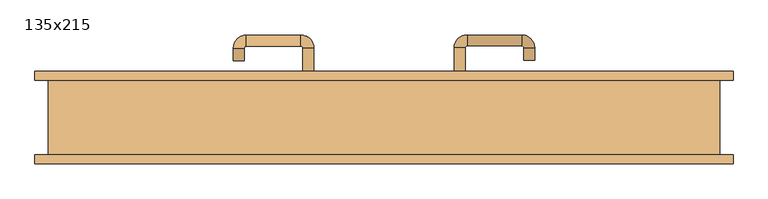
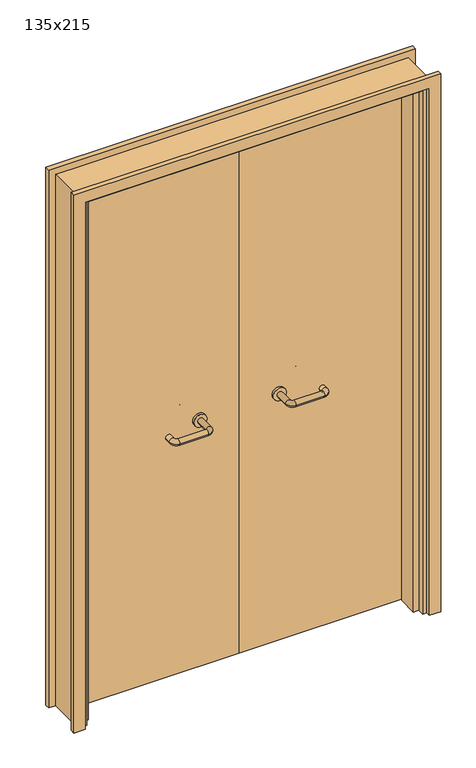
"""IFC4 building model written with IfcOpenShell, lengths in millimetres: door geometry, 135x215."""

from ifc_helpers import new_model, si_unit, point, frame, frame_2d, origin, place, context, project, spatial, polyline, circle_curve, ellipse_curve, trimmed, segment, composite_curve, outline, extrude, faceted_brep, source, transform, mapped, element, save
from ifc_brep_helpers import plane_surface, cylinder_surface, revolved_surface, advanced_brep


def door_135x215_9a9bedaf(model_context):
    return source(origin(), model_context, "Body", "SolidModel", [
        faceted_brep([(-622.0, 28.0, 0.0), (-622.0, -50.0, 0.0), (-643.0, -50.0, 0.0), (-643.0, 28.0, 0.0), (-622.0, 28.0, 2097.0), (-622.0, -50.0, 2097.0), (-643.0, -50.0, 2118.0), (-643.0, 28.0, 2118.0), (622.0, 28.0, 0.0), (643.0, 28.0, 0.0), (643.0, -50.0, 0.0), (622.0, -50.0, 0.0), (622.0, 28.0, 2097.0), (643.0, 28.0, 2118.0), (643.0, -50.0, 2118.0), (622.0, -50.0, 2097.0)], [[[0, 1, 2, 3]], [[1, 0, 4, 5]], [[2, 1, 5, 6]], [[3, 2, 6, 7]], [[0, 3, 7, 4]], [[8, 9, 10, 11]], [[12, 13, 9, 8]], [[13, 14, 10, 9]], [[14, 15, 11, 10]], [[15, 12, 8, 11]], [[5, 4, 12, 15]], [[6, 5, 15, 14]], [[7, 6, 14, 13]], [[4, 7, 13, 12]]]),
        extrude(outline(polyline([(2177.0, 702.0), (2177.0, -702.0), (0.0, -702.0), (0.0, -658.0), (2133.0, -658.0), (2133.0, 658.0), (0.0, 658.0), (0.0, 702.0), (2177.0, 702.0)])), frame((0.0, 75.0, 0.0), z_axis=(0.0, 1.0, 0.0), x_axis=(0.0, 0.0, 1.0)), (0.0, 0.0, 1.0), 18.0),
        extrude(outline(polyline([(2177.0, -702.0), (0.0, -702.0), (0.0, -658.0), (2133.0, -658.0), (2133.0, 658.0), (0.0, 658.0), (0.0, 702.0), (2177.0, 702.0), (2177.0, -702.0)])), frame((0.0, -93.0, 0.0), z_axis=(0.0, 1.0, 0.0), x_axis=(0.0, 0.0, 1.0)), (0.0, 0.0, 1.0), 18.0),
        extrude(outline(polyline([(2150.0, -675.0), (0.0, -675.0), (0.0, -643.0), (2118.0, -643.0), (2118.0, 643.0), (0.0, 643.0), (0.0, 675.0), (2150.0, 675.0), (2150.0, -675.0)])), frame((0.0, -75.0, 0.0), z_axis=(0.0, 1.0, 0.0), x_axis=(0.0, 0.0, 1.0)), (0.0, 0.0, 1.0), 150.0),
        extrude(outline(polyline([(1.0739506, 31.0), (-640.0, 31.0), (-640.0, 75.0), (1.0739506, 75.0), (1.0739506, 31.0)])), frame((0.0, 0.0, 1.753223), z_axis=(0.0, 0.0, 1.0), x_axis=(1.0, 0.0, 0.0)), (0.0, 0.0, 1.0), 2107.246777),
        extrude(outline(polyline([(640.0, 31.0), (1.0739506, 31.0), (1.0739506, 75.0), (640.0, 75.0), (640.0, 31.0)])), frame((0.0, 0.0, 1.753223), z_axis=(0.0, 0.0, 1.0), x_axis=(1.0, 0.0, 0.0)), (0.0, 0.0, 1.0), 2116.246777),
        extrude(outline(polyline([(2150.0, -675.0), (0.0, -675.0), (0.0, -643.0), (2118.0, -643.0), (2118.0, 643.0), (0.0, 643.0), (0.0, 675.0), (2150.0, 675.0), (2150.0, -675.0)])), frame((0.0, -75.0, 0.0), z_axis=(0.0, 1.0, 0.0), x_axis=(0.0, 0.0, 1.0)), (0.0, 0.0, 1.0), 150.0),
        advanced_brep(
        [(140.99898, 21.0, 1003.0), (162.99898, 21.0, 1003.0), (140.99898, -34.3525369, 1003.0), (162.99898, -34.3525369, 1003.0), (166.99898, -38.3525369, 1003.0), (166.99898, -60.3525369, 1003.0), (276.99898, -60.3525369, 1003.0), (276.99898, -38.3525369, 1003.0), (280.99898, -34.3525369, 1003.0), (302.99898, -34.3525369, 1003.0), (302.99898, -17.0, 1003.0), (280.99898, -17.0, 1003.0)],
        [
            (0, 1, circle_curve(frame((151.99898, 21.0, 1003.0), z_axis=(0.0, 1.0, 0.0), x_axis=(1.0, 0.0, 0.0)), 11.0)),
            (1, 0, circle_curve(frame((151.99898, 21.0, 1003.0), z_axis=(0.0, 1.0, 0.0), x_axis=(1.0, 0.0, 0.0)), 11.0)),
            (0, 2),
            (2, 3, circle_curve(frame((151.99898, -34.3525369, 1003.0), z_axis=(0.0, 1.0, 0.0), x_axis=(1.0, 0.0, 0.0)), 11.0)),
            (3, 1),
            (3, 2, circle_curve(frame((151.99898, -34.3525369, 1003.0), z_axis=(0.0, 1.0, 0.0), x_axis=(1.0, 0.0, 0.0)), 11.0)),
            (4, 3, circle_curve(frame((166.99898, -34.3525369, 1003.0), z_axis=(0.0, 0.0, -1.0), x_axis=(-1.0, 0.0, 0.0)), 4.0)),
            (2, 5, circle_curve(frame((166.99898, -34.3525369, 1003.0), z_axis=(0.0, 0.0, 1.0), x_axis=(-1.0, 0.0, 0.0)), 26.0)),
            (5, 4, circle_curve(frame((166.99898, -49.3525369, 1003.0), z_axis=(-1.0, 0.0, 0.0), x_axis=(0.0, 1.0, 0.0)), 11.0)),
            (4, 5, circle_curve(frame((166.99898, -49.3525369, 1003.0), z_axis=(-1.0, 0.0, 0.0), x_axis=(0.0, 1.0, 0.0)), 11.0)),
            (5, 6),
            (6, 7, circle_curve(frame((276.99898, -49.3525369, 1003.0), z_axis=(-1.0, 0.0, 0.0), x_axis=(0.0, 1.0, 0.0)), 11.0)),
            (7, 4),
            (7, 6, circle_curve(frame((276.99898, -49.3525369, 1003.0), z_axis=(-1.0, 0.0, 0.0), x_axis=(0.0, 1.0, 0.0)), 11.0)),
            (8, 7, circle_curve(frame((276.99898, -34.3525369, 1003.0), z_axis=(0.0, 0.0, -1.0), x_axis=(0.0, -1.0, 0.0)), 4.0)),
            (6, 9, circle_curve(frame((276.99898, -34.3525369, 1003.0), z_axis=(0.0, 0.0, 1.0), x_axis=(0.0, -1.0, 0.0)), 26.0)),
            (9, 8, circle_curve(frame((291.99898, -34.3525369, 1003.0), z_axis=(0.0, -1.0, 0.0), x_axis=(-1.0, 0.0, 0.0)), 11.0)),
            (8, 9, circle_curve(frame((291.99898, -34.3525369, 1003.0), z_axis=(0.0, -1.0, 0.0), x_axis=(-1.0, 0.0, 0.0)), 11.0)),
            (10, 11, circle_curve(frame((291.99898, -17.0, 1003.0), z_axis=(0.0, 1.0, 0.0), x_axis=(-1.0, 0.0, 0.0)), 11.0)),
            (11, 10, circle_curve(frame((291.99898, -17.0, 1003.0), z_axis=(0.0, 1.0, 0.0), x_axis=(-1.0, 0.0, 0.0)), 11.0)),
            (9, 10),
            (11, 8),
        ],
        [
            plane_surface(frame((140.99898, 21.0, 1003.0), z_axis=(0.0, 1.0, 0.0), x_axis=(0.0, 0.0, -1.0))),
            cylinder_surface(frame((151.99898, 21.0, 1003.0), z_axis=(0.0, 1.0, 0.0), x_axis=(1.0, 0.0, 0.0)), 11.0),
            revolved_surface(trimmed(ellipse_curve(frame((151.99898, -34.3525369, 1003.0), z_axis=(0.0, 1.0, 0.0), x_axis=(1.0, 0.0, 0.0)), 11.0, 11.0), [point((140.99898, -34.3525369, 1003.0))], [point((162.99898, -34.3525369, 1003.0))], True, "CARTESIAN"), (166.99898, -34.3525369, 1003.0), (0.0, 0.0, 1.0)),
            revolved_surface(trimmed(ellipse_curve(frame((151.99898, -34.3525369, 1003.0), z_axis=(0.0, 1.0, 0.0), x_axis=(1.0, 0.0, 0.0)), 11.0, 11.0), [point((162.99898, -34.3525369, 1003.0))], [point((140.99898, -34.3525369, 1003.0))], True, "CARTESIAN"), (166.99898, -34.3525369, 1003.0), (0.0, 0.0, 1.0)),
            cylinder_surface(frame((166.99898, -49.3525369, 1003.0), z_axis=(-1.0, 0.0, 0.0), x_axis=(0.0, 1.0, 0.0)), 11.0),
            revolved_surface(trimmed(ellipse_curve(frame((276.99898, -49.3525369, 1003.0), z_axis=(-1.0, 0.0, 0.0), x_axis=(0.0, 1.0, 0.0)), 11.0, 11.0), [point((276.99898, -60.3525369, 1003.0))], [point((276.99898, -38.3525369, 1003.0))], True, "CARTESIAN"), (276.99898, -34.3525369, 1003.0), (0.0, 0.0, 1.0)),
            revolved_surface(trimmed(ellipse_curve(frame((276.99898, -49.3525369, 1003.0), z_axis=(-1.0, 0.0, 0.0), x_axis=(0.0, 1.0, 0.0)), 11.0, 11.0), [point((276.99898, -38.3525369, 1003.0))], [point((276.99898, -60.3525369, 1003.0))], True, "CARTESIAN"), (276.99898, -34.3525369, 1003.0), (0.0, 0.0, 1.0)),
            plane_surface(frame((280.99898, -17.0, 1003.0), z_axis=(0.0, 1.0, 0.0), x_axis=(0.0, 0.0, 1.0))),
            cylinder_surface(frame((291.99898, -34.3525369, 1003.0), z_axis=(0.0, -1.0, 0.0), x_axis=(-1.0, 0.0, 0.0)), 11.0),
        ],
        [
            (0, [[1, 2]]),
            (1, [[-1, 3, 4, 5]]),
            (1, [[-2, -5, 6, -3]]),
            (2, [[7, -4, 8, 9]]),
            (3, [[-8, -6, -7, 10]]),
            (4, [[-9, 11, 12, 13]]),
            (4, [[-10, -13, 14, -11]]),
            (5, [[15, -12, 16, 17]]),
            (6, [[-16, -14, -15, 18]]),
            (7, [[19, 20]]),
            (8, [[-17, 21, -20, 22]]),
            (8, [[-18, -22, -19, -21]]),
        ],
    ),
        extrude(outline(composite_curve([segment(trimmed(circle_curve(frame_2d((1003.0, 151.99898)), 25.0), [point((1003.0, 126.99898))], [point((1003.0, 176.99898))], False, "CARTESIAN"), True, "CONTINUOUS"), segment(trimmed(circle_curve(frame_2d((1003.0, 151.99898)), 25.0), [point((1003.0, 176.99898))], [point((1003.0, 126.99898))], False, "CARTESIAN"), True, "CONTINUOUS")], self_intersect=False)), frame((0.0, 21.0, 0.0), z_axis=(0.0, 1.0, 0.0), x_axis=(0.0, 0.0, 1.0)), (0.0, 0.0, 1.0), 10.0),
        advanced_brep(
        [(162.99898, 85.0, 1003.0), (140.99898, 85.0, 1003.0), (162.99898, 140.0, 1003.0), (140.99898, 140.0, 1003.0), (166.99898, 166.0, 1003.0), (166.99898, 144.0, 1003.0), (276.99898, 144.0, 1003.0), (276.99898, 166.0, 1003.0), (302.99898, 140.0, 1003.0), (280.99898, 140.0, 1003.0), (280.99898, 115.0, 1003.0), (302.99898, 115.0, 1003.0)],
        [
            (0, 1, circle_curve(frame((151.99898, 85.0, 1003.0), z_axis=(0.0, -1.0, 0.0), x_axis=(-1.0, 0.0, 0.0)), 11.0)),
            (1, 0, circle_curve(frame((151.99898, 85.0, 1003.0), z_axis=(0.0, -1.0, 0.0), x_axis=(-1.0, 0.0, 0.0)), 11.0)),
            (0, 2),
            (2, 3, circle_curve(frame((151.99898, 140.0, 1003.0), z_axis=(0.0, -1.0, 0.0), x_axis=(-1.0, 0.0, 0.0)), 11.0)),
            (3, 1),
            (3, 2, circle_curve(frame((151.99898, 140.0, 1003.0), z_axis=(0.0, -1.0, 0.0), x_axis=(-1.0, 0.0, 0.0)), 11.0)),
            (4, 3, circle_curve(frame((166.99898, 140.0, 1003.0), z_axis=(0.0, 0.0, 1.0), x_axis=(-1.0, 0.0, 0.0)), 26.0)),
            (2, 5, circle_curve(frame((166.99898, 140.0, 1003.0), z_axis=(0.0, 0.0, -1.0), x_axis=(-1.0, 0.0, 0.0)), 4.0)),
            (5, 4, circle_curve(frame((166.99898, 155.0, 1003.0), z_axis=(-1.0, 0.0, 0.0), x_axis=(0.0, 1.0, 0.0)), 11.0)),
            (4, 5, circle_curve(frame((166.99898, 155.0, 1003.0), z_axis=(-1.0, 0.0, 0.0), x_axis=(0.0, 1.0, 0.0)), 11.0)),
            (5, 6),
            (6, 7, circle_curve(frame((276.99898, 155.0, 1003.0), z_axis=(-1.0, 0.0, 0.0), x_axis=(0.0, 1.0, 0.0)), 11.0)),
            (7, 4),
            (7, 6, circle_curve(frame((276.99898, 155.0, 1003.0), z_axis=(-1.0, 0.0, 0.0), x_axis=(0.0, 1.0, 0.0)), 11.0)),
            (8, 7, circle_curve(frame((276.99898, 140.0, 1003.0), z_axis=(0.0, 0.0, 1.0), x_axis=(0.0, 1.0, 0.0)), 26.0)),
            (6, 9, circle_curve(frame((276.99898, 140.0, 1003.0), z_axis=(0.0, 0.0, -1.0), x_axis=(0.0, 1.0, 0.0)), 4.0)),
            (9, 8, circle_curve(frame((291.99898, 140.0, 1003.0), z_axis=(0.0, 1.0, 0.0), x_axis=(1.0, 0.0, 0.0)), 11.0)),
            (8, 9, circle_curve(frame((291.99898, 140.0, 1003.0), z_axis=(0.0, 1.0, 0.0), x_axis=(1.0, 0.0, 0.0)), 11.0)),
            (10, 11, circle_curve(frame((291.99898, 115.0, 1003.0), z_axis=(0.0, -1.0, 0.0), x_axis=(1.0, 0.0, 0.0)), 11.0)),
            (11, 10, circle_curve(frame((291.99898, 115.0, 1003.0), z_axis=(0.0, -1.0, 0.0), x_axis=(1.0, 0.0, 0.0)), 11.0)),
            (9, 10),
            (11, 8),
        ],
        [
            plane_surface(frame((140.99898, 85.0, 1003.0), z_axis=(0.0, -1.0, 0.0), x_axis=(0.0, 0.0, 1.0))),
            cylinder_surface(frame((151.99898, 85.0, 1003.0), z_axis=(0.0, -1.0, 0.0), x_axis=(-1.0, 0.0, 0.0)), 11.0),
            revolved_surface(trimmed(ellipse_curve(frame((151.99898, 140.0, 1003.0), z_axis=(0.0, -1.0, 0.0), x_axis=(-1.0, 0.0, 0.0)), 11.0, 11.0), [point((162.99898, 140.0, 1003.0))], [point((140.99898, 140.0, 1003.0))], True, "CARTESIAN"), (166.99898, 140.0, 1003.0), (0.0, 0.0, -1.0)),
            revolved_surface(trimmed(ellipse_curve(frame((151.99898, 140.0, 1003.0), z_axis=(0.0, -1.0, 0.0), x_axis=(-1.0, 0.0, 0.0)), 11.0, 11.0), [point((140.99898, 140.0, 1003.0))], [point((162.99898, 140.0, 1003.0))], True, "CARTESIAN"), (166.99898, 140.0, 1003.0), (0.0, 0.0, -1.0)),
            cylinder_surface(frame((166.99898, 155.0, 1003.0), z_axis=(-1.0, 0.0, 0.0), x_axis=(0.0, 1.0, 0.0)), 11.0),
            revolved_surface(trimmed(ellipse_curve(frame((276.99898, 155.0, 1003.0), z_axis=(-1.0, 0.0, 0.0), x_axis=(0.0, 1.0, 0.0)), 11.0, 11.0), [point((276.99898, 144.0, 1003.0))], [point((276.99898, 166.0, 1003.0))], True, "CARTESIAN"), (276.99898, 140.0, 1003.0), (0.0, 0.0, -1.0)),
            revolved_surface(trimmed(ellipse_curve(frame((276.99898, 155.0, 1003.0), z_axis=(-1.0, 0.0, 0.0), x_axis=(0.0, 1.0, 0.0)), 11.0, 11.0), [point((276.99898, 166.0, 1003.0))], [point((276.99898, 144.0, 1003.0))], True, "CARTESIAN"), (276.99898, 140.0, 1003.0), (0.0, 0.0, -1.0)),
            plane_surface(frame((280.99898, 115.0, 1003.0), z_axis=(0.0, -1.0, 0.0), x_axis=(0.0, 0.0, -1.0))),
            cylinder_surface(frame((291.99898, 140.0, 1003.0), z_axis=(0.0, 1.0, 0.0), x_axis=(1.0, 0.0, 0.0)), 11.0),
        ],
        [
            (0, [[1, 2]]),
            (1, [[-1, 3, 4, 5]]),
            (1, [[-2, -5, 6, -3]]),
            (2, [[7, -4, 8, 9]]),
            (3, [[-8, -6, -7, 10]]),
            (4, [[-9, 11, 12, 13]]),
            (4, [[-10, -13, 14, -11]]),
            (5, [[15, -12, 16, 17]]),
            (6, [[-16, -14, -15, 18]]),
            (7, [[19, 20]]),
            (8, [[-17, 21, -20, 22]]),
            (8, [[-18, -22, -19, -21]]),
        ],
    ),
        extrude(outline(composite_curve([segment(trimmed(circle_curve(frame_2d((1003.0, 151.99898)), 25.0), [point((1003.0, 176.99898))], [point((1003.0, 126.99898))], False, "CARTESIAN"), True, "CONTINUOUS"), segment(trimmed(circle_curve(frame_2d((1003.0, 151.99898)), 25.0), [point((1003.0, 126.99898))], [point((1003.0, 176.99898))], False, "CARTESIAN"), True, "CONTINUOUS")], self_intersect=False)), frame((0.0, 75.0, 0.0), z_axis=(0.0, 1.0, 0.0), x_axis=(0.0, 0.0, 1.0)), (0.0, 0.0, 1.0), 10.0),
        advanced_brep(
        [(-162.99898, 20.6886121, 1003.0), (-140.99898, 20.6886121, 1003.0), (-162.99898, -34.7220447, 1003.0), (-140.99898, -34.7220447, 1003.0), (-166.99898, -60.7220447, 1003.0), (-166.99898, -38.7220447, 1003.0), (-276.99898, -38.7220447, 1003.0), (-276.99898, -60.7220447, 1003.0), (-302.99898, -34.7220447, 1003.0), (-280.99898, -34.7220447, 1003.0), (-280.99898, -9.7220447, 1003.0), (-302.99898, -9.7220447, 1003.0)],
        [
            (0, 1, circle_curve(frame((-151.99898, 20.6886121, 1003.0), z_axis=(0.0, 1.0, 0.0), x_axis=(1.0, 0.0, 0.0)), 11.0)),
            (1, 0, circle_curve(frame((-151.99898, 20.6886121, 1003.0), z_axis=(0.0, 1.0, 0.0), x_axis=(1.0, 0.0, 0.0)), 11.0)),
            (0, 2),
            (2, 3, circle_curve(frame((-151.99898, -34.7220447, 1003.0), z_axis=(0.0, 1.0, 0.0), x_axis=(1.0, 0.0, 0.0)), 11.0)),
            (3, 1),
            (3, 2, circle_curve(frame((-151.99898, -34.7220447, 1003.0), z_axis=(0.0, 1.0, 0.0), x_axis=(1.0, 0.0, 0.0)), 11.0)),
            (4, 3, circle_curve(frame((-166.99898, -34.7220447, 1003.0), z_axis=(0.0, 0.0, 1.0), x_axis=(1.0, 0.0, 0.0)), 26.0)),
            (2, 5, circle_curve(frame((-166.99898, -34.7220447, 1003.0), z_axis=(0.0, 0.0, -1.0), x_axis=(1.0, 0.0, 0.0)), 4.0)),
            (5, 4, circle_curve(frame((-166.99898, -49.7220447, 1003.0), z_axis=(1.0, 0.0, 0.0), x_axis=(0.0, -1.0, 0.0)), 11.0)),
            (4, 5, circle_curve(frame((-166.99898, -49.7220447, 1003.0), z_axis=(1.0, 0.0, 0.0), x_axis=(0.0, -1.0, 0.0)), 11.0)),
            (5, 6),
            (6, 7, circle_curve(frame((-276.99898, -49.7220447, 1003.0), z_axis=(1.0, 0.0, 0.0), x_axis=(0.0, -1.0, 0.0)), 11.0)),
            (7, 4),
            (7, 6, circle_curve(frame((-276.99898, -49.7220447, 1003.0), z_axis=(1.0, 0.0, 0.0), x_axis=(0.0, -1.0, 0.0)), 11.0)),
            (8, 7, circle_curve(frame((-276.99898, -34.7220447, 1003.0), z_axis=(0.0, 0.0, 1.0), x_axis=(0.0, -1.0, 0.0)), 26.0)),
            (6, 9, circle_curve(frame((-276.99898, -34.7220447, 1003.0), z_axis=(0.0, 0.0, -1.0), x_axis=(0.0, -1.0, 0.0)), 4.0)),
            (9, 8, circle_curve(frame((-291.99898, -34.7220447, 1003.0), z_axis=(0.0, -1.0, 0.0), x_axis=(-1.0, 0.0, 0.0)), 11.0)),
            (8, 9, circle_curve(frame((-291.99898, -34.7220447, 1003.0), z_axis=(0.0, -1.0, 0.0), x_axis=(-1.0, 0.0, 0.0)), 11.0)),
            (10, 11, circle_curve(frame((-291.99898, -9.7220447, 1003.0), z_axis=(0.0, 1.0, 0.0), x_axis=(-1.0, 0.0, 0.0)), 11.0)),
            (11, 10, circle_curve(frame((-291.99898, -9.7220447, 1003.0), z_axis=(0.0, 1.0, 0.0), x_axis=(-1.0, 0.0, 0.0)), 11.0)),
            (9, 10),
            (11, 8),
        ],
        [
            plane_surface(frame((-162.99898, 20.6886121, 1003.0), z_axis=(0.0, 1.0, 0.0), x_axis=(0.0, 0.0, -1.0))),
            cylinder_surface(frame((-151.99898, 20.6886121, 1003.0), z_axis=(0.0, 1.0, 0.0), x_axis=(1.0, 0.0, 0.0)), 11.0),
            revolved_surface(trimmed(ellipse_curve(frame((-151.99898, -34.7220447, 1003.0), z_axis=(0.0, 1.0, 0.0), x_axis=(1.0, 0.0, 0.0)), 11.0, 11.0), [point((-162.99898, -34.7220447, 1003.0))], [point((-140.99898, -34.7220447, 1003.0))], True, "CARTESIAN"), (-166.99898, -34.7220447, 1003.0), (0.0, 0.0, -1.0)),
            revolved_surface(trimmed(ellipse_curve(frame((-151.99898, -34.7220447, 1003.0), z_axis=(0.0, 1.0, 0.0), x_axis=(1.0, 0.0, 0.0)), 11.0, 11.0), [point((-140.99898, -34.7220447, 1003.0))], [point((-162.99898, -34.7220447, 1003.0))], True, "CARTESIAN"), (-166.99898, -34.7220447, 1003.0), (0.0, 0.0, -1.0)),
            cylinder_surface(frame((-166.99898, -49.7220447, 1003.0), z_axis=(1.0, 0.0, 0.0), x_axis=(0.0, -1.0, 0.0)), 11.0),
            revolved_surface(trimmed(ellipse_curve(frame((-276.99898, -49.7220447, 1003.0), z_axis=(1.0, 0.0, 0.0), x_axis=(0.0, -1.0, 0.0)), 11.0, 11.0), [point((-276.99898, -38.7220447, 1003.0))], [point((-276.99898, -60.7220447, 1003.0))], True, "CARTESIAN"), (-276.99898, -34.7220447, 1003.0), (0.0, 0.0, -1.0)),
            revolved_surface(trimmed(ellipse_curve(frame((-276.99898, -49.7220447, 1003.0), z_axis=(1.0, 0.0, 0.0), x_axis=(0.0, -1.0, 0.0)), 11.0, 11.0), [point((-276.99898, -60.7220447, 1003.0))], [point((-276.99898, -38.7220447, 1003.0))], True, "CARTESIAN"), (-276.99898, -34.7220447, 1003.0), (0.0, 0.0, -1.0)),
            plane_surface(frame((-302.99898, -9.7220447, 1003.0), z_axis=(0.0, 1.0, 0.0), x_axis=(0.0, 0.0, 1.0))),
            cylinder_surface(frame((-291.99898, -34.7220447, 1003.0), z_axis=(0.0, -1.0, 0.0), x_axis=(-1.0, 0.0, 0.0)), 11.0),
        ],
        [
            (0, [[1, 2]]),
            (1, [[-1, 3, 4, 5]]),
            (1, [[-2, -5, 6, -3]]),
            (2, [[7, -4, 8, 9]]),
            (3, [[-8, -6, -7, 10]]),
            (4, [[-9, 11, 12, 13]]),
            (4, [[-10, -13, 14, -11]]),
            (5, [[15, -12, 16, 17]]),
            (6, [[-16, -14, -15, 18]]),
            (7, [[19, 20]]),
            (8, [[-17, 21, -20, 22]]),
            (8, [[-18, -22, -19, -21]]),
        ],
    ),
        extrude(outline(composite_curve([segment(trimmed(circle_curve(frame_2d((1003.0, -151.99898)), 25.0), [point((1003.0, -176.99898))], [point((1003.0, -126.99898))], False, "CARTESIAN"), True, "CONTINUOUS"), segment(trimmed(circle_curve(frame_2d((1003.0, -151.99898)), 25.0), [point((1003.0, -126.99898))], [point((1003.0, -176.99898))], False, "CARTESIAN"), True, "CONTINUOUS")], self_intersect=False)), frame((0.0, 20.6886121, 0.0), z_axis=(0.0, 1.0, 0.0), x_axis=(0.0, 0.0, 1.0)), (0.0, 0.0, 1.0), 10.3113879),
        advanced_brep(
        [(-140.99898, 84.5143417, 1003.0), (-162.99898, 84.5143417, 1003.0), (-140.99898, 139.6104656, 1003.0), (-162.99898, 139.6104656, 1003.0), (-166.99898, 143.6104656, 1003.0), (-166.99898, 165.6104656, 1003.0), (-276.99898, 165.6104656, 1003.0), (-276.99898, 143.6104656, 1003.0), (-280.99898, 139.6104656, 1003.0), (-302.99898, 139.6104656, 1003.0), (-302.99898, 114.6104656, 1003.0), (-280.99898, 114.6104656, 1003.0)],
        [
            (0, 1, circle_curve(frame((-151.99898, 84.5143417, 1003.0), z_axis=(0.0, -1.0, 0.0), x_axis=(-1.0, 0.0, 0.0)), 11.0)),
            (1, 0, circle_curve(frame((-151.99898, 84.5143417, 1003.0), z_axis=(0.0, -1.0, 0.0), x_axis=(-1.0, 0.0, 0.0)), 11.0)),
            (0, 2),
            (2, 3, circle_curve(frame((-151.99898, 139.6104656, 1003.0), z_axis=(0.0, -1.0, 0.0), x_axis=(-1.0, 0.0, 0.0)), 11.0)),
            (3, 1),
            (3, 2, circle_curve(frame((-151.99898, 139.6104656, 1003.0), z_axis=(0.0, -1.0, 0.0), x_axis=(-1.0, 0.0, 0.0)), 11.0)),
            (4, 3, circle_curve(frame((-166.99898, 139.6104656, 1003.0), z_axis=(0.0, 0.0, -1.0), x_axis=(1.0, 0.0, 0.0)), 4.0)),
            (2, 5, circle_curve(frame((-166.99898, 139.6104656, 1003.0), z_axis=(0.0, 0.0, 1.0), x_axis=(1.0, 0.0, 0.0)), 26.0)),
            (5, 4, circle_curve(frame((-166.99898, 154.6104656, 1003.0), z_axis=(1.0, 0.0, 0.0), x_axis=(0.0, -1.0, 0.0)), 11.0)),
            (4, 5, circle_curve(frame((-166.99898, 154.6104656, 1003.0), z_axis=(1.0, 0.0, 0.0), x_axis=(0.0, -1.0, 0.0)), 11.0)),
            (5, 6),
            (6, 7, circle_curve(frame((-276.99898, 154.6104656, 1003.0), z_axis=(1.0, 0.0, 0.0), x_axis=(0.0, -1.0, 0.0)), 11.0)),
            (7, 4),
            (7, 6, circle_curve(frame((-276.99898, 154.6104656, 1003.0), z_axis=(1.0, 0.0, 0.0), x_axis=(0.0, -1.0, 0.0)), 11.0)),
            (8, 7, circle_curve(frame((-276.99898, 139.6104656, 1003.0), z_axis=(0.0, 0.0, -1.0), x_axis=(0.0, 1.0, 0.0)), 4.0)),
            (6, 9, circle_curve(frame((-276.99898, 139.6104656, 1003.0), z_axis=(0.0, 0.0, 1.0), x_axis=(0.0, 1.0, 0.0)), 26.0)),
            (9, 8, circle_curve(frame((-291.99898, 139.6104656, 1003.0), z_axis=(0.0, 1.0, 0.0), x_axis=(1.0, 0.0, 0.0)), 11.0)),
            (8, 9, circle_curve(frame((-291.99898, 139.6104656, 1003.0), z_axis=(0.0, 1.0, 0.0), x_axis=(1.0, 0.0, 0.0)), 11.0)),
            (10, 11, circle_curve(frame((-291.99898, 114.6104656, 1003.0), z_axis=(0.0, -1.0, 0.0), x_axis=(1.0, 0.0, 0.0)), 11.0)),
            (11, 10, circle_curve(frame((-291.99898, 114.6104656, 1003.0), z_axis=(0.0, -1.0, 0.0), x_axis=(1.0, 0.0, 0.0)), 11.0)),
            (9, 10),
            (11, 8),
        ],
        [
            plane_surface(frame((-162.99898, 84.5143417, 1003.0), z_axis=(0.0, -1.0, 0.0), x_axis=(0.0, 0.0, 1.0))),
            cylinder_surface(frame((-151.99898, 84.5143417, 1003.0), z_axis=(0.0, -1.0, 0.0), x_axis=(-1.0, 0.0, 0.0)), 11.0),
            revolved_surface(trimmed(ellipse_curve(frame((-151.99898, 139.6104656, 1003.0), z_axis=(0.0, -1.0, 0.0), x_axis=(-1.0, 0.0, 0.0)), 11.0, 11.0), [point((-140.99898, 139.6104656, 1003.0))], [point((-162.99898, 139.6104656, 1003.0))], True, "CARTESIAN"), (-166.99898, 139.6104656, 1003.0), (0.0, 0.0, 1.0)),
            revolved_surface(trimmed(ellipse_curve(frame((-151.99898, 139.6104656, 1003.0), z_axis=(0.0, -1.0, 0.0), x_axis=(-1.0, 0.0, 0.0)), 11.0, 11.0), [point((-162.99898, 139.6104656, 1003.0))], [point((-140.99898, 139.6104656, 1003.0))], True, "CARTESIAN"), (-166.99898, 139.6104656, 1003.0), (0.0, 0.0, 1.0)),
            cylinder_surface(frame((-166.99898, 154.6104656, 1003.0), z_axis=(1.0, 0.0, 0.0), x_axis=(0.0, -1.0, 0.0)), 11.0),
            revolved_surface(trimmed(ellipse_curve(frame((-276.99898, 154.6104656, 1003.0), z_axis=(1.0, 0.0, 0.0), x_axis=(0.0, -1.0, 0.0)), 11.0, 11.0), [point((-276.99898, 165.6104656, 1003.0))], [point((-276.99898, 143.6104656, 1003.0))], True, "CARTESIAN"), (-276.99898, 139.6104656, 1003.0), (0.0, 0.0, 1.0)),
            revolved_surface(trimmed(ellipse_curve(frame((-276.99898, 154.6104656, 1003.0), z_axis=(1.0, 0.0, 0.0), x_axis=(0.0, -1.0, 0.0)), 11.0, 11.0), [point((-276.99898, 143.6104656, 1003.0))], [point((-276.99898, 165.6104656, 1003.0))], True, "CARTESIAN"), (-276.99898, 139.6104656, 1003.0), (0.0, 0.0, 1.0)),
            plane_surface(frame((-302.99898, 114.6104656, 1003.0), z_axis=(0.0, -1.0, 0.0), x_axis=(0.0, 0.0, -1.0))),
            cylinder_surface(frame((-291.99898, 139.6104656, 1003.0), z_axis=(0.0, 1.0, 0.0), x_axis=(1.0, 0.0, 0.0)), 11.0),
        ],
        [
            (0, [[1, 2]]),
            (1, [[-1, 3, 4, 5]]),
            (1, [[-2, -5, 6, -3]]),
            (2, [[7, -4, 8, 9]]),
            (3, [[-8, -6, -7, 10]]),
            (4, [[-9, 11, 12, 13]]),
            (4, [[-10, -13, 14, -11]]),
            (5, [[15, -12, 16, 17]]),
            (6, [[-16, -14, -15, 18]]),
            (7, [[19, 20]]),
            (8, [[-17, 21, -20, 22]]),
            (8, [[-18, -22, -19, -21]]),
        ],
    ),
        extrude(outline(composite_curve([segment(trimmed(circle_curve(frame_2d((1003.0, -151.99898)), 25.0), [point((1003.0, -126.99898))], [point((1003.0, -176.99898))], False, "CARTESIAN"), True, "CONTINUOUS"), segment(trimmed(circle_curve(frame_2d((1003.0, -151.99898)), 25.0), [point((1003.0, -176.99898))], [point((1003.0, -126.99898))], False, "CARTESIAN"), True, "CONTINUOUS")], self_intersect=False)), frame((0.0, 75.0, 0.0), z_axis=(0.0, 1.0, 0.0), x_axis=(0.0, 0.0, 1.0)), (0.0, 0.0, 1.0), 9.5143417),
    ])


if __name__ == "__main__":
    model = new_model("IFC4")
    model_context = context("Model", 3, world=origin())
    ifc_project = project(units=[si_unit("LENGTHUNIT", "METRE", prefix="MILLI")], contexts=[model_context])
    site = spatial("IfcSite", under=ifc_project)
    building = spatial("IfcBuilding", under=site)
    placement = place(None, origin())
    door_135x215_shape = door_135x215_9a9bedaf(model_context)
    element("IfcDoor", 1, ObjectType="135x215", at=placement, inside=building, context=model_context, shape_type="MappedRepresentation", body=[
        mapped(door_135x215_shape, transform((0.0, 0.0, 0.0), x_axis=(1.0, 0.0, 0.0), y_axis=(0.0, 1.0, 0.0), z_axis=(0.0, 0.0, 1.0))),
    ])
    save(model, "model.ifc")
